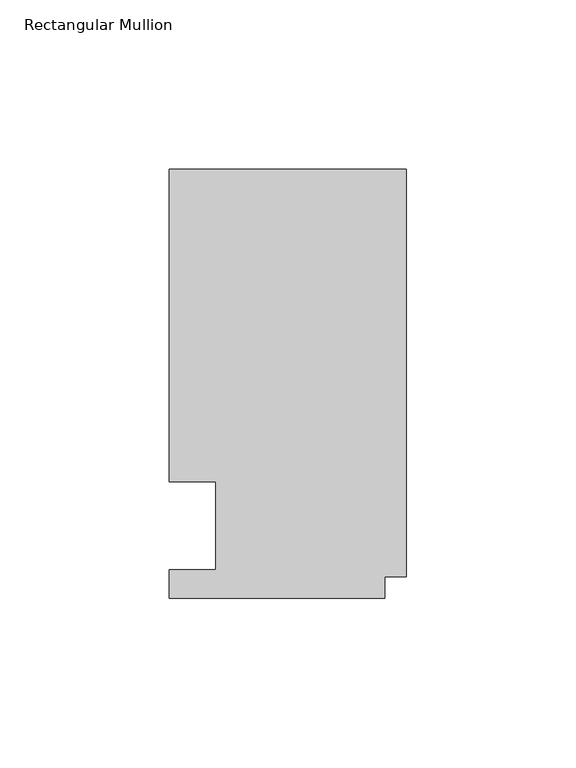
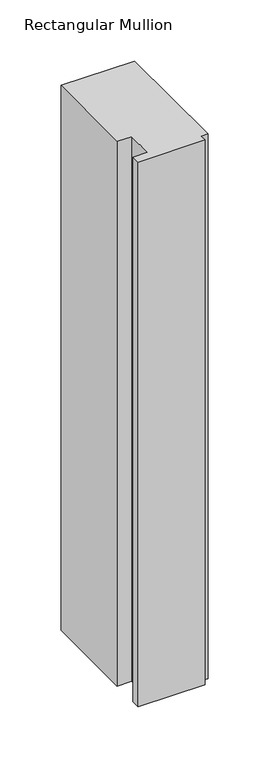
"""IFC4 building model written with IfcOpenShell, lengths in millimetres: member geometry, Rectangular Mullion."""

import ifcopenshell
import ifcopenshell.guid

model = None  # the IFC model being written
_history = None  # IfcOwnerHistory: only IFC2X3 demands one
_inside = {}  # id of a spatial element -> (the spatial element, [elements in it])
_under = {}  # id of a project, library or spatial element -> (it, [spatial elements below it])
_declared = {}  # id of a project -> (the project, [libraries it declares])
_typed = {}  # id of a type object -> (the type object, [elements of that type])
_made_of = {}  # id of a material, layer set ... -> (it, [elements and type objects made of it])


def new_model(schema):
    """Start an empty IFC model of exactly this schema.

    Asked for "IFC4X3", IfcOpenShell would pick the latest addendum, in which some entities
    have other attributes; the version numbers below select the first issue.
    IFC2X3 requires an IfcOwnerHistory on every rooted entity: one is made here for all.
    """
    global model, _history
    if schema == "IFC4X3":
        model = ifcopenshell.file(schema_version=(4, 3, 0, 0))
    else:
        model = ifcopenshell.file(schema=schema)
    _inside.clear()
    _under.clear()
    _declared.clear()
    _typed.clear()
    _made_of.clear()
    _history = None
    if model.schema == "IFC2X3":
        org = make("IfcOrganization", Name="unknown")
        user = make(
            "IfcPersonAndOrganization",
            ThePerson=make("IfcPerson", FamilyName="unknown"),
            TheOrganization=org,
        )
        app = make(
            "IfcApplication",
            ApplicationDeveloper=org,
            Version="unknown",
            ApplicationFullName="unknown",
            ApplicationIdentifier="unknown",
        )
        _history = make(
            "IfcOwnerHistory",
            OwningUser=user,
            OwningApplication=app,
            ChangeAction="ADDED",
            CreationDate=0,
        )
    return model


def make(cls, **values):
    """One entity of the class cls with the attributes given. An attribute that is None is left unset."""
    return model.create_entity(
        cls, **{name: value for name, value in values.items() if value is not None}
    )


def rooted(cls, **values):
    """An entity with a GlobalId (a new one), such as an element, a storey or a relation."""
    return make(cls, GlobalId=ifcopenshell.guid.new(), OwnerHistory=_history, **values)


def si_unit(unit_type, name, prefix=None):
    """IfcSIUnit, for example si_unit("LENGTHUNIT", "METRE", prefix="MILLI")."""
    return make("IfcSIUnit", UnitType=unit_type, Prefix=prefix, Name=name)


def assignment(units):
    """IfcUnitAssignment: the units of a project."""
    return None if units is None else make("IfcUnitAssignment", Units=units)


def point(xyz):
    """IfcCartesianPoint."""
    return None if xyz is None else make("IfcCartesianPoint", Coordinates=xyz)


def direction(xyz):
    """IfcDirection."""
    return None if xyz is None else make("IfcDirection", DirectionRatios=xyz)


def frame(location, z_axis=None, x_axis=None):
    """IfcAxis2Placement3D, a coordinate frame: its origin and axes. An axis left out is left unset."""
    return make(
        "IfcAxis2Placement3D",
        Location=point(location),
        Axis=direction(z_axis),
        RefDirection=direction(x_axis),
    )


def origin():
    """The frame at (0, 0, 0) with its axes left unset."""
    return frame((0.0, 0.0, 0.0))


def place(relative_to, where):
    """IfcLocalPlacement: puts the frame where relative to a parent placement (None: the world)."""
    return make(
        "IfcLocalPlacement", PlacementRelTo=relative_to, RelativePlacement=where
    )


def context(
    kind, dimensions, precision=None, world=None, true_north=None, identifier=None
):
    """IfcGeometricRepresentationContext, for example the 3D "Model" context."""
    return make(
        "IfcGeometricRepresentationContext",
        ContextIdentifier=identifier,
        ContextType=kind,
        CoordinateSpaceDimension=dimensions,
        Precision=precision,
        WorldCoordinateSystem=world,
        TrueNorth=true_north,
    )


def project(units=None, contexts=None):
    """IfcProject with its units and contexts."""
    return rooted(
        "IfcProject",
        Name="project",
        RepresentationContexts=contexts,
        UnitsInContext=assignment(units),
    )


def spatial(cls, under=None, at=None, **own):
    """A site, building, storey or space (cls), placed at a placement, below another one or the project."""
    s = rooted(cls, ObjectPlacement=at, **own)
    if under is not None:
        _under.setdefault(under.id(), (under, []))[1].append(s)
    return s


def polyline(points):
    """IfcPolyline through the points."""
    return make("IfcPolyline", Points=[point(p) for p in points])


def outline(outer, holes=None, kind="AREA"):
    """IfcArbitraryClosedProfileDef: a profile drawn as a closed curve; with holes, ...WithVoids."""
    if holes is None:
        return make("IfcArbitraryClosedProfileDef", ProfileType=kind, OuterCurve=outer)
    return make(
        "IfcArbitraryProfileDefWithVoids",
        ProfileType=kind,
        OuterCurve=outer,
        InnerCurves=holes,
    )


def extrude(swept, where, along, depth):
    """IfcExtrudedAreaSolid: the profile swept, set in the frame where, extruded along a direction by depth."""
    return make(
        "IfcExtrudedAreaSolid",
        SweptArea=swept,
        Position=where,
        ExtrudedDirection=direction(along),
        Depth=depth,
    )


def shape(context_of_items, identifier, shape_type, items):
    """IfcShapeRepresentation: the items that make up one representation, for example the "Body"."""
    return make(
        "IfcShapeRepresentation",
        ContextOfItems=context_of_items,
        RepresentationIdentifier=identifier,
        RepresentationType=shape_type,
        Items=items,
    )


def source(mapping_origin, context_of_items, identifier, shape_type, items):
    """IfcRepresentationMap: a shape defined once, which mapped items show again and again."""
    return make(
        "IfcRepresentationMap",
        MappingOrigin=mapping_origin,
        MappedRepresentation=shape(context_of_items, identifier, shape_type, items),
    )


def transform(
    local_origin,
    x_axis=None,
    y_axis=None,
    z_axis=None,
    scale=None,
    scale2=None,
    scale3=None,
    uniform=True,
):
    """IfcCartesianTransformationOperator3D, or its non-uniform kind. x_axis, y_axis, z_axis: its Axis1, 2, 3."""
    if uniform:
        return make(
            "IfcCartesianTransformationOperator3D",
            Axis1=direction(x_axis),
            Axis2=direction(y_axis),
            LocalOrigin=point(local_origin),
            Scale=scale,
            Axis3=direction(z_axis),
        )
    return make(
        "IfcCartesianTransformationOperator3DnonUniform",
        Axis1=direction(x_axis),
        Axis2=direction(y_axis),
        LocalOrigin=point(local_origin),
        Scale=scale,
        Axis3=direction(z_axis),
        Scale2=scale2,
        Scale3=scale3,
    )


def mapped(mapping_source, mapping_target):
    """IfcMappedItem: shows the shape of a source again, moved by a transform."""
    return make(
        "IfcMappedItem", MappingSource=mapping_source, MappingTarget=mapping_target
    )


def made_of(thing, what):
    """Note that an element or type object is made of a material, layer set ...; save() writes the relation."""
    if what is not None:
        _made_of.setdefault(what.id(), (what, []))[1].append(thing)
    return thing


def element(
    cls,
    number,
    at=None,
    inside=None,
    cuts=None,
    type_object=None,
    material=None,
    context=None,
    identifier="Body",
    shape_type=None,
    held_by="IfcProductDefinitionShape",
    body=None,
    shapes=None,
    **own,
):
    """One element of the class cls, such as IfcWall. Its Tag is "e" and its number.

    at: its placement. inside: the storey or other place that contains it. cuts: it is an
    opening in that element (IfcRelVoidsElement). A single representation is given by context,
    identifier, shape_type and body (its items); several are given by shapes. held_by: the class
    of the entity that holds the representations. save() writes the other relations.
    """
    e = rooted(cls, Tag="e%d" % number, ObjectPlacement=at, **own)
    if body is not None:
        shapes = [shape(context, identifier, shape_type, body)]
    if shapes is not None:
        e.Representation = make(held_by, Representations=shapes)
    if inside is not None:
        _inside.setdefault(inside.id(), (inside, []))[1].append(e)
    if cuts is not None:
        rooted(
            "IfcRelVoidsElement", RelatingBuildingElement=cuts, RelatedOpeningElement=e
        )
    if type_object is not None:
        _typed.setdefault(type_object.id(), (type_object, []))[1].append(e)
    return made_of(e, material)


def aggregate(whole, parts):
    """IfcRelAggregates: a whole, such as a stair, and the parts it consists of."""
    return rooted("IfcRelAggregates", RelatingObject=whole, RelatedObjects=parts)


def save(model, path):
    """Write the relations noted so far, then the file.

    IfcRelAggregates (storeys below a building ...), IfcRelContainedInSpatialStructure (elements
    in a storey), IfcRelDefinesByType, IfcRelAssociatesMaterial and IfcRelDeclares: one each for
    every whole, place, type object, material and project.
    """
    for whole, parts in _under.values():
        aggregate(whole, parts)
    for where, things in _inside.values():
        rooted(
            "IfcRelContainedInSpatialStructure",
            RelatedElements=things,
            RelatingStructure=where,
        )
    for kind, things in _typed.values():
        rooted("IfcRelDefinesByType", RelatedObjects=things, RelatingType=kind)
    for what, things in _made_of.values():
        rooted("IfcRelAssociatesMaterial", RelatedObjects=things, RelatingMaterial=what)
    for by, libraries in _declared.values():
        rooted("IfcRelDeclares", RelatingContext=by, RelatedDefinitions=libraries)
    model.write(path)


def rectangular_mullion_1605780a(model_context):
    return source(origin(), model_context, "Body", "SweptSolid", [
        extrude(outline(polyline([(-69.85, -0.0111125), (-69.85, 8.3454875), (-56.1848, 8.3454875), (-56.1848, 34.3296875), (-69.85, 34.3296875), (-69.85, 126.4808875), (0.0, 126.4808875), (0.0, 6.3388875), (-6.35, 6.3388875), (-6.35, -0.0111125), (-69.85, -0.0111125)])), frame((0.0, 0.0, -545.0099167), z_axis=(0.0, 0.0, 1.0), x_axis=(1.0, 0.0, 0.0)), (0.0, 0.0, 1.0), 545.0099167),
    ])


if __name__ == "__main__":
    model = new_model("IFC4")
    model_context = context("Model", 3, world=origin())
    ifc_project = project(units=[si_unit("LENGTHUNIT", "METRE", prefix="MILLI")], contexts=[model_context])
    site = spatial("IfcSite", under=ifc_project)
    building = spatial("IfcBuilding", under=site)
    placement = place(None, origin())
    rectangular_mullion_shape = rectangular_mullion_1605780a(model_context)
    element("IfcMember", 1, ObjectType="Rectangular Mullion", at=placement, inside=building, context=model_context, shape_type="MappedRepresentation", body=[
        mapped(rectangular_mullion_shape, transform((0.0, 0.0, 0.0), x_axis=(1.0, 0.0, 0.0), y_axis=(0.0, 1.0, 0.0), z_axis=(0.0, 0.0, 1.0))),
    ])
    save(model, "model.ifc")
